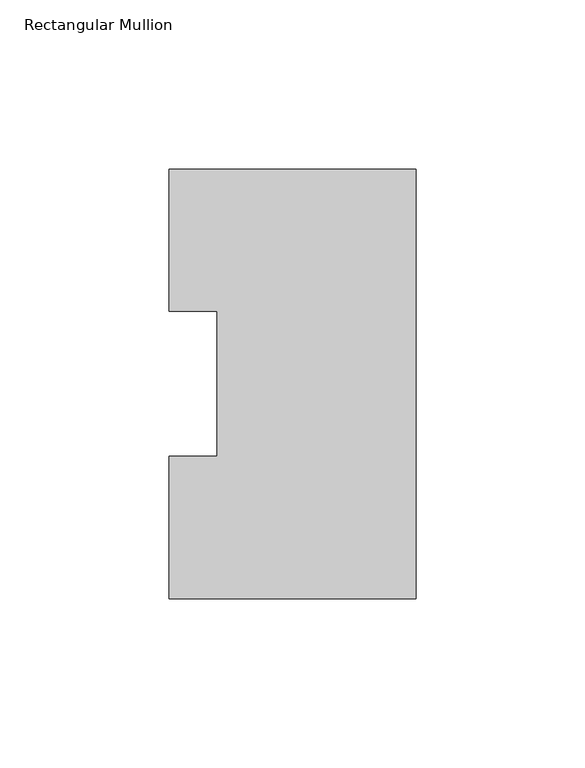
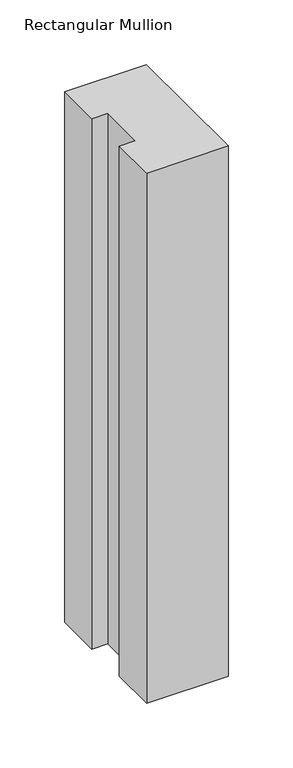
"""IFC4 building model written with IfcOpenShell, lengths in millimetres: member geometry, Rectangular Mullion."""

from ifc_helpers import new_model, si_unit, frame, origin, place, context, project, spatial, polyline, outline, extrude, source, transform, mapped, element, save


def rectangular_mullion_9653ee52(model_context):
    return source(origin(), model_context, "Body", "SweptSolid", [
        extrude(outline(polyline([(0.0, 127.00635), (0.0, 0.00635), (-73.025, 0.00635), (-73.025, 42.08145), (-58.7375, 42.08145), (-58.7375, 84.93125), (-73.025, 84.93125), (-73.025, 127.00635), (0.0, 127.00635)])), frame((0.0, 0.0, -501.65), z_axis=(0.0, 0.0, 1.0), x_axis=(1.0, 0.0, 0.0)), (0.0, 0.0, 1.0), 501.65),
    ])


if __name__ == "__main__":
    model = new_model("IFC4")
    model_context = context("Model", 3, world=origin())
    ifc_project = project(units=[si_unit("LENGTHUNIT", "METRE", prefix="MILLI")], contexts=[model_context])
    site = spatial("IfcSite", under=ifc_project)
    building = spatial("IfcBuilding", under=site)
    placement = place(None, origin())
    rectangular_mullion_shape = rectangular_mullion_9653ee52(model_context)
    element("IfcMember", 1, ObjectType="Rectangular Mullion", at=placement, inside=building, context=model_context, shape_type="MappedRepresentation", body=[
        mapped(rectangular_mullion_shape, transform((0.0, 0.0, 0.0), x_axis=(1.0, 0.0, 0.0), y_axis=(0.0, 1.0, 0.0), z_axis=(0.0, 0.0, 1.0))),
    ])
    save(model, "model.ifc")
